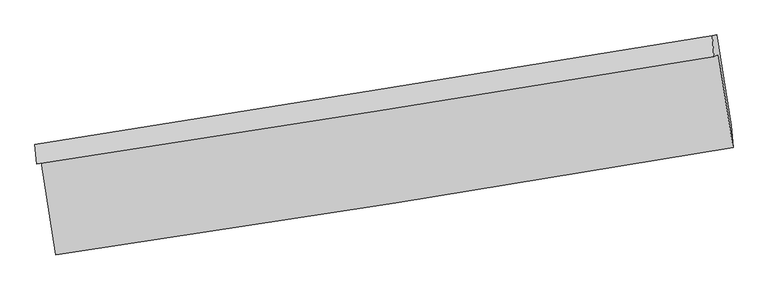
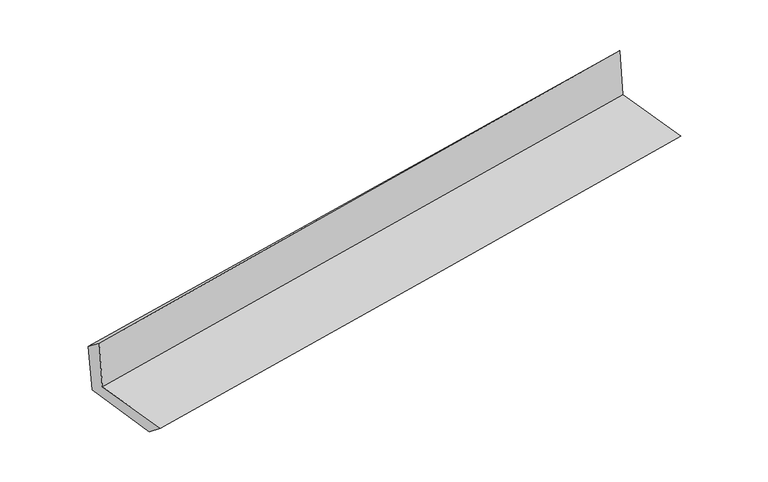
"""IFC4 building model written with IfcOpenShell, lengths in millimetres: proxy geometry."""

from ifc_helpers import new_model, si_unit, frame, origin, place, context, project, spatial, source, transform, mapped, element, save
from ifc_brep_helpers import plane_surface, spline_curve, spline_surface, advanced_brep


def generic_models_a1f719a7(model_context):
    return source(origin(), model_context, "Body", "AdvancedBrep", [
        advanced_brep(
        [(-2413.2509439, -1874.332216, 1666.0215944), (-2311.0224931, -2531.5986571, 1665.6101886), (2459.4078975, -1775.4039623, 2110.9364903), (2356.5712979, -1118.2323677, 2111.2956263), (-2445.623581, -1888.8522483, 2069.0181395), (2323.7985593, -1132.9318567, 2519.2729057), (-2457.7865165, -1751.5455403, 1962.121978), (2313.0970918, -984.0998385, 2372.9211061), (-2424.4177713, -1746.6797175, 1565.0015742), (2346.0696044, -979.2917068, 1980.6197091), (-2322.8739709, -2391.4391381, 1549.9277799), (2447.4845054, -1619.3760512, 1965.7040041)],
        [
            (0, 1),
            (1, 2, spline_curve(3, [(-2311.0224931, -2531.5986571, 1665.6101886), (-1511.80718143, -2413.819213881, 1745.775734359), (-713.026964026, -2291.635462328, 1823.110366856), (877.109384948, -2039.498547809, 1971.506178491), (1668.472631426, -1909.617401304, 2042.61364643), (2459.4078975, -1775.4039623, 2110.9364903)], [4, 2, 4], [0.0, 7.989257652606908, 15.912928677427097])),
            (2, 3),
            (3, 0, spline_curve(3, [(2356.5712979, -1118.2323677, 2111.2956263), (1565.225959136, -1249.149078062, 2042.98345403), (773.707093486, -1377.36722776, 1971.885663811), (-816.230769284, -1629.445368938, 1823.507292216), (-1614.652650854, -1753.260502232, 1746.180405214), (-2413.2509439, -1874.332216, 1666.0215944)], [4, 2, 4], [0.0, 7.923671024820188, 15.912928677427097])),
            (4, 0),
            (3, 5),
            (5, 4, spline_curve(3, [(2323.7985593, -1132.9318567, 2519.2729057), (1532.133701103, -1263.991880379, 2454.938326029), (740.487484966, -1392.267150471, 2385.425882471), (-849.320204844, -1644.286905382, 2235.427032603), (-1647.481368763, -1767.985099357, 2154.854554062), (-2445.623581, -1888.8522483, 2069.0181395)], [4, 2, 4], [0.0, 7.923219846972175, 15.91202258719521])),
            (6, 4),
            (5, 7),
            (7, 6, spline_curve(3, [(2313.0970918, -984.0998385, 2372.9211061), (1521.194640232, -1113.492690824, 2308.601825481), (729.308350601, -1241.883481016, 2242.357985145), (-860.986454371, -1497.715372516, 2105.456934737), (-1659.394700661, -1625.139816191, 2034.767732276), (-2457.7865165, -1751.5455403, 1962.121978)], [4, 2, 4], [0.0, 7.922920529983313, 15.911421475680006])),
            (8, 6),
            (7, 9),
            (9, 8, spline_curve(3, [(2346.0696044, -979.2917068, 1980.6197091), (1554.090057707, -1108.695816526, 1917.20061053), (762.197809078, -1237.087490419, 1851.010435677), (-827.96610055, -1492.900323964, 1712.517121542), (-1626.23631062, -1620.304653404, 1640.167917694), (-2424.4177713, -1746.6797175, 1565.0015742)], [4, 2, 4], [0.0, 7.922721663433985, 15.91102209650262])),
            (10, 8),
            (9, 11),
            (11, 10, spline_curve(3, [(2447.4845054, -1619.3760512, 1965.7040041), (1655.804780049, -1751.31942298, 1902.217500106), (864.073713636, -1881.372345781, 1835.980418028), (-726.044924919, -2138.758133078, 1697.434066391), (-1524.433350559, -2266.059572587, 1625.079073676), (-2322.8739709, -2391.4391381, 1549.9277799)], [4, 2, 4], [0.0, 7.923268088836858, 15.91211947023712])),
            (1, 10),
            (11, 2),
        ],
        [
            spline_surface(3, 3, [[(-2413.2509439, -1874.332216, 1666.0215944), (-1614.652650897, -1753.260502129, 1746.180405102), (-816.230769245, -1629.445368981, 1823.507292203), (773.707093447, -1377.367227717, 1971.885663824), (1565.225959098, -1249.149078091, 2042.983454057), (2356.5712979, -1118.2323677, 2111.2956263)], [(-2379.174793656, -2093.421029703, 1665.884459118), (-1580.370827725, -1973.446739418, 1746.045514861), (-781.829500895, -1850.175400109, 1823.374983789), (808.174523957, -1598.077667778, 1971.759168675), (1599.641516529, -1469.305185815, 2042.860184838), (2390.850164436, -1337.289565913, 2111.175914292)], [(-2345.098643344, -2312.509843397, 1665.747323882), (-1546.089004484, -2193.632976699, 1745.910624665), (-747.428232476, -2070.905431174, 1823.24267538), (842.641954537, -1818.788107774, 1971.632673531), (1634.05707395, -1689.461293499, 2042.736915645), (2425.129030964, -1556.346764087, 2111.056202308)], [(-2311.0224931, -2531.5986571, 1665.6101886), (-1511.807181312, -2413.819213988, 1745.775734425), (-713.026964126, -2291.635462303, 1823.110366966), (877.109385048, -2039.498547835, 1971.506178381), (1668.472631381, -1909.617401224, 2042.613646427), (2459.4078975, -1775.4039623, 2110.9364903)]], [4, 4], [4, 2, 4], [0.0, 2.198722139756222], [0.0, 7.989257652606908, 15.912928677427097]),
            spline_surface(3, 3, [[(-2445.623581, -1888.8522483, 2069.0181395), (-1647.481368864, -1767.985099442, 2154.854554181), (-849.320204931, -1644.28690551, 2235.427032641), (740.487485052, -1392.267150344, 2385.425882433), (1532.133701227, -1263.991880412, 2454.938326076), (2323.7985593, -1132.9318567, 2519.2729057)], [(-2434.832701952, -1884.012237519, 1934.685957801), (-1636.538462861, -1763.076900323, 2018.629837822), (-838.290393013, -1639.339726661, 2098.120452526), (751.560687872, -1387.300509462, 2247.579142927), (1543.164453851, -1259.04427963, 2317.620035405), (2334.7228055, -1128.032027025, 2383.280479236)], [(-2424.041822948, -1879.172226781, 1800.353776099), (-1625.595556901, -1758.168701248, 1882.40512146), (-827.260581162, -1634.39254783, 1960.813872318), (762.633890626, -1382.333868599, 2109.73240333), (1554.195206474, -1254.096678873, 2180.301744727), (2345.6470517, -1123.132197375, 2247.288052764)], [(-2413.2509439, -1874.332216, 1666.0215944), (-1614.652650897, -1753.260502129, 1746.180405102), (-816.230769245, -1629.445368981, 1823.507292203), (773.707093447, -1377.367227717, 1971.885663824), (1565.225959098, -1249.149078091, 2042.983454057), (2356.5712979, -1118.2323677, 2111.2956263)]], [4, 4], [4, 2, 4], [0.0, 1.3593163036918443], [0.0, 7.9888027402230355, 15.91202258719521]),
            spline_surface(3, 3, [[(-2457.7865165, -1751.5455403, 1962.121978), (-1659.394700642, -1625.139816121, 2034.767732284), (-860.986454271, -1497.715372428, 2105.456934683), (729.308350502, -1241.883481103, 2242.357985199), (1521.194640207, -1113.492690847, 2308.601825494), (2313.0970918, -984.0998385, 2372.9211061)], [(-2453.732204669, -1797.31444298, 1997.754031859), (-1655.423590052, -1672.754910575, 2074.796672942), (-857.097704508, -1546.572550121, 2148.780300665), (733.034728668, -1292.01137085, 2290.047284272), (1524.840993861, -1163.659087373, 2357.380659026), (2316.664247614, -1033.710511237, 2421.705039305)], [(-2449.677892831, -1843.08334562, 2033.386085641), (-1651.452479454, -1720.370004988, 2114.825613523), (-853.208954693, -1595.429727816, 2192.10366666), (736.761106886, -1342.139260598, 2337.73658336), (1528.487347573, -1213.825483887, 2406.159492544), (2320.231403486, -1083.321183963, 2470.488972495)], [(-2445.623581, -1888.8522483, 2069.0181395), (-1647.481368864, -1767.985099442, 2154.854554181), (-849.320204931, -1644.28690551, 2235.427032641), (740.487485052, -1392.267150344, 2385.425882433), (1532.133701227, -1263.991880412, 2454.938326076), (2323.7985593, -1132.9318567, 2519.2729057)]], [4, 4], [4, 2, 4], [0.0, 0.6626491225352609], [0.0, 7.988500945696694, 15.911421475680006]),
            spline_surface(3, 3, [[(-2424.4177713, -1746.6797175, 1565.0015742), (-1626.236310703, -1620.304653453, 1640.167917752), (-827.966100612, -1492.900323901, 1712.517121414), (762.197809139, -1237.087490481, 1851.010435803), (1554.090057589, -1108.695816493, 1917.200610405), (2346.0696044, -979.2917068, 1980.6197091)], [(-2435.540686362, -1748.301658434, 1697.375042127), (-1637.289107344, -1621.916374343, 1771.701189256), (-838.972885166, -1494.505340064, 1843.497059162), (751.234656259, -1238.68615401, 1981.459618927), (1543.124918466, -1110.294774634, 2047.66768208), (2335.078766871, -980.894417389, 2111.386841412)], [(-2446.663601438, -1749.923599366, 1829.748510073), (-1648.341904001, -1623.52809523, 1903.23446078), (-849.979669717, -1496.110356264, 1974.476996935), (740.271503383, -1240.284817574, 2111.908802075), (1532.15977933, -1111.893732707, 2178.13475382), (2324.087929329, -982.497127911, 2242.153973788)], [(-2457.7865165, -1751.5455403, 1962.121978), (-1659.394700642, -1625.139816121, 2034.767732284), (-860.986454271, -1497.715372428, 2105.456934683), (729.308350502, -1241.883481103, 2242.357985199), (1521.194640207, -1113.492690847, 2308.601825494), (2313.0970918, -984.0998385, 2372.9211061)]], [4, 4], [4, 2, 4], [0.0, 1.2912137254334863], [0.0, 7.988300433068635, 15.91102209650262]),
            spline_surface(3, 3, [[(-2322.8739709, -2391.4391381, 1549.9277799), (-1524.433350573, -2266.059572624, 1625.079073726), (-726.044924965, -2138.758133153, 1697.434066428), (864.073713681, -1881.372345706, 1835.980417992), (1655.804780176, -1751.319422853, 1902.217499987), (2447.4845054, -1619.3760512, 1965.7040041)], [(-2356.72190439, -2176.51933123, 1554.952378008), (-1558.36767064, -2050.807932897, 1630.108688409), (-760.018650178, -1923.472196756, 1702.461751418), (830.115078836, -1666.610727319, 1840.990423924), (1621.899872638, -1537.111554038, 1907.211870135), (2413.679538391, -1406.014603038, 1970.675905775)], [(-2390.56983781, -1961.59952437, 1559.976976092), (-1592.301990637, -1835.55629318, 1635.138303068), (-793.992375398, -1708.186260297, 1707.489436424), (796.156443985, -1451.849108869, 1846.000429872), (1587.994965126, -1322.903685308, 1912.206240257), (2379.874571409, -1192.653154962, 1975.647807425)], [(-2424.4177713, -1746.6797175, 1565.0015742), (-1626.236310703, -1620.304653453, 1640.167917752), (-827.966100612, -1492.900323901, 1712.517121414), (762.197809139, -1237.087490481, 1851.010435803), (1554.090057589, -1108.695816493, 1917.200610405), (2346.0696044, -979.2917068, 1980.6197091)]], [4, 4], [4, 2, 4], [0.0, 2.1432082142037703], [0.0, 7.988851381400261, 15.91211947023712]),
            spline_surface(3, 3, [[(-2311.0224931, -2531.5986571, 1665.6101886), (-1511.807181312, -2413.819213988, 1745.775734425), (-713.026964126, -2291.635462303, 1823.110366966), (877.109385048, -2039.498547835, 1971.506178381), (1668.472631381, -1909.617401224, 2042.613646427), (2459.4078975, -1775.4039623, 2110.9364903)], [(-2314.972985671, -2484.878817434, 1627.049385686), (-1516.01590437, -2364.5660002, 1705.543514178), (-717.366284389, -2240.676352563, 1781.218266776), (872.764161276, -1986.789813768, 1926.330924907), (1664.250014333, -1856.851408431, 1995.814930962), (2455.433433487, -1723.394658598, 2062.525661581)], [(-2318.923478329, -2438.158977766, 1588.488582814), (-1520.224627515, -2315.312786411, 1665.311293973), (-721.705604703, -2189.717242893, 1739.326166618), (868.418937453, -1934.081079773, 1881.155671466), (1660.027397224, -1804.085415645, 1949.016215453), (2451.458969413, -1671.385354902, 2014.114832819)], [(-2322.8739709, -2391.4391381, 1549.9277799), (-1524.433350573, -2266.059572624, 1625.079073726), (-726.044924965, -2138.758133153, 1697.434066428), (864.073713681, -1881.372345706, 1835.980417992), (1655.804780176, -1751.319422853, 1902.217499987), (2447.4845054, -1619.3760512, 1965.7040041)]], [4, 4], [4, 2, 4], [0.0, 0.6674695586148216], [0.0, 7.989538358063232, 15.913487783929863]),
            plane_surface(frame((2374.4048261, -1268.2226306, 2176.7916403), z_axis=(0.9844395635996709, 0.15400243238791608, 0.08462857932338752), x_axis=(-0.08374737763322723, -0.012212245752848084, 0.9964121826800542))),
            plane_surface(frame((-2395.8292128, -2030.7412529, 1746.2835424), z_axis=(-0.984584461411144, -0.15308515683567483, -0.08460716934352833), x_axis=(-0.1536879010590831, 0.988119247119585, 0.0006184980826320539))),
        ],
        [
            (0, [[1, 2, 3, 4]]),
            (1, [[5, -4, 6, 7]]),
            (2, [[8, -7, 9, 10]]),
            (3, [[11, -10, 12, 13]]),
            (4, [[14, -13, 15, 16]]),
            (5, [[17, -16, 18, -2]]),
            (6, [[-12, -9, -6, -3, -18, -15]]),
            (7, [[-1, -5, -8, -11, -14, -17]]),
        ],
    ),
    ])


if __name__ == "__main__":
    model = new_model("IFC4")
    model_context = context("Model", 3, world=origin())
    ifc_project = project(units=[si_unit("LENGTHUNIT", "METRE", prefix="MILLI")], contexts=[model_context])
    site = spatial("IfcSite", under=ifc_project)
    building = spatial("IfcBuilding", under=site)
    placement = place(None, origin())
    generic_models_shape = generic_models_a1f719a7(model_context)
    element("IfcBuildingElementProxy", 1, Name="Generic Models", at=placement, inside=building, context=model_context, shape_type="MappedRepresentation", body=[
        mapped(generic_models_shape, transform((0.0, 0.0, 0.0), x_axis=(1.0, 0.0, 0.0), y_axis=(0.0, 1.0, 0.0), z_axis=(0.0, 0.0, 1.0))),
    ])
    save(model, "model.ifc")
